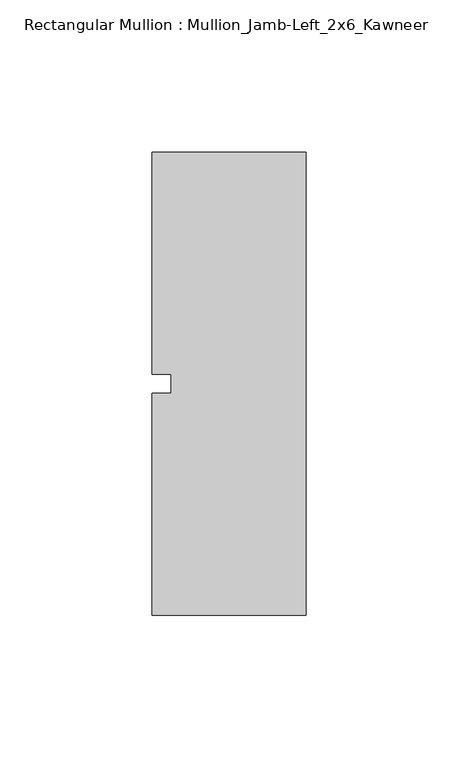
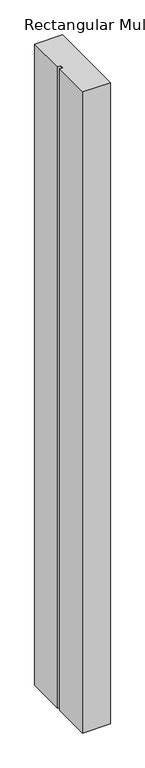
"""IFC4 building model written with IfcOpenShell, lengths in millimetres: member geometry, Rectangular Mullion : Mullion_Jamb-Left_2x6_Kawneer."""

from ifc_helpers import new_model, si_unit, frame, origin, place, context, project, spatial, polyline, outline, extrude, source, transform, mapped, element, save


def rectangular_mullion_mullion_jamb_left_2x6_kawneer_ca67b785(model_context):
    return source(origin(), model_context, "Body", "SweptSolid", [
        extrude(outline(polyline([(-50.8, 76.2), (0.0, 76.2), (0.0, -76.2), (-50.8, -76.2), (-50.8, -3.175), (-44.45, -3.175), (-44.45, 3.175), (-50.8, 3.175), (-50.8, 76.2)])), frame((0.0, 0.0, -1244.6), z_axis=(0.0, 0.0, 1.0), x_axis=(1.0, 0.0, 0.0)), (0.0, 0.0, 1.0), 1244.6),
    ])


if __name__ == "__main__":
    model = new_model("IFC4")
    model_context = context("Model", 3, world=origin())
    ifc_project = project(units=[si_unit("LENGTHUNIT", "METRE", prefix="MILLI")], contexts=[model_context])
    site = spatial("IfcSite", under=ifc_project)
    building = spatial("IfcBuilding", under=site)
    placement = place(None, origin())
    rectangular_mullion_mullion_jamb_left_2x6_kawneer_shape = rectangular_mullion_mullion_jamb_left_2x6_kawneer_ca67b785(model_context)
    element("IfcMember", 1, ObjectType="Rectangular Mullion : Mullion_Jamb-Left_2x6_Kawneer", at=placement, inside=building, context=model_context, shape_type="MappedRepresentation", body=[
        mapped(rectangular_mullion_mullion_jamb_left_2x6_kawneer_shape, transform((0.0, 0.0, 0.0), x_axis=(1.0, 0.0, 0.0), y_axis=(0.0, 1.0, 0.0), z_axis=(0.0, 0.0, 1.0))),
    ])
    save(model, "model.ifc")
